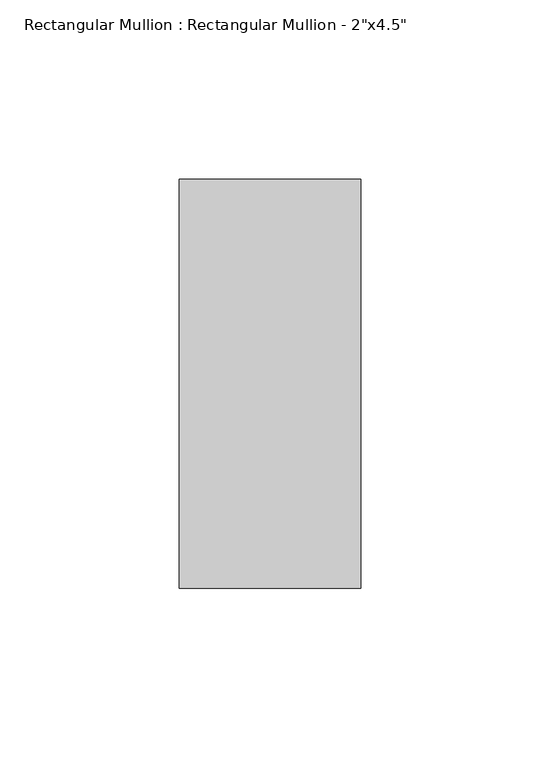
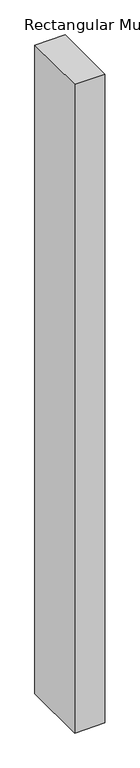
"""IFC4 building model written with IfcOpenShell, lengths in millimetres: member geometry."""

from ifc_helpers import new_model, si_unit, frame, origin, place, context, project, spatial, polyline, outline, extrude, source, transform, mapped, element, save


def member_d2665765(model_context):
    return source(origin(), model_context, "Body", "SweptSolid", [
        extrude(outline(polyline([(0.0, 57.15), (0.0, -57.15), (-50.8, -57.15), (-50.8, 57.15), (0.0, 57.15)])), frame((0.0, 0.0, -1143.0), z_axis=(0.0, 0.0, 1.0), x_axis=(1.0, 0.0, 0.0)), (0.0, 0.0, 1.0), 1143.0),
    ])


if __name__ == "__main__":
    model = new_model("IFC4")
    model_context = context("Model", 3, world=origin())
    ifc_project = project(units=[si_unit("LENGTHUNIT", "METRE", prefix="MILLI")], contexts=[model_context])
    site = spatial("IfcSite", under=ifc_project)
    building = spatial("IfcBuilding", under=site)
    placement = place(None, origin())
    member_shape = member_d2665765(model_context)
    element("IfcMember", 1, ObjectType="Rectangular Mullion : Rectangular Mullion - 2\"x4.5\"", at=placement, inside=building, context=model_context, shape_type="MappedRepresentation", body=[
        mapped(member_shape, transform((0.0, 0.0, 0.0), x_axis=(1.0, 0.0, 0.0), y_axis=(0.0, 1.0, 0.0), z_axis=(0.0, 0.0, 1.0))),
    ])
    save(model, "model.ifc")
